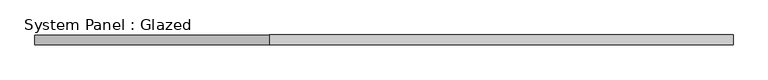
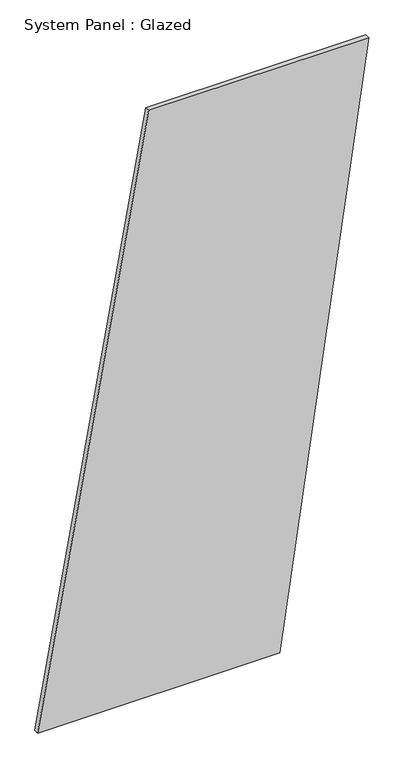
"""IFC4 building model written with IfcOpenShell, lengths in millimetres: plate geometry, System Panel : Glazed."""

from ifc_helpers import new_model, si_unit, frame, origin, place, context, project, spatial, polyline, outline, extrude, source, transform, mapped, element, save


def system_panel_glazed_5d69acaa(model_context):
    return source(origin(), model_context, "Body", "SweptSolid", [
        extrude(outline(polyline([(0.0, -891.0059594), (0.0, 412.7909606), (3334.6905248, 891.0059594), (3334.6905248, -293.2372109), (0.0, -891.0059594)])), frame((0.0, -49.5, 0.0), z_axis=(0.0, 1.0, 0.0), x_axis=(0.0, 0.0, 1.0)), (0.0, 0.0, 1.0), 25.0),
    ])


if __name__ == "__main__":
    model = new_model("IFC4")
    model_context = context("Model", 3, world=origin())
    ifc_project = project(units=[si_unit("LENGTHUNIT", "METRE", prefix="MILLI")], contexts=[model_context])
    site = spatial("IfcSite", under=ifc_project)
    building = spatial("IfcBuilding", under=site)
    placement = place(None, origin())
    system_panel_glazed_shape = system_panel_glazed_5d69acaa(model_context)
    element("IfcPlate", 1, ObjectType="System Panel : Glazed", at=placement, inside=building, context=model_context, shape_type="MappedRepresentation", body=[
        mapped(system_panel_glazed_shape, transform((0.0, 0.0, 0.0), x_axis=(1.0, 0.0, 0.0), y_axis=(0.0, 1.0, 0.0), z_axis=(0.0, 0.0, 1.0))),
    ])
    save(model, "model.ifc")
